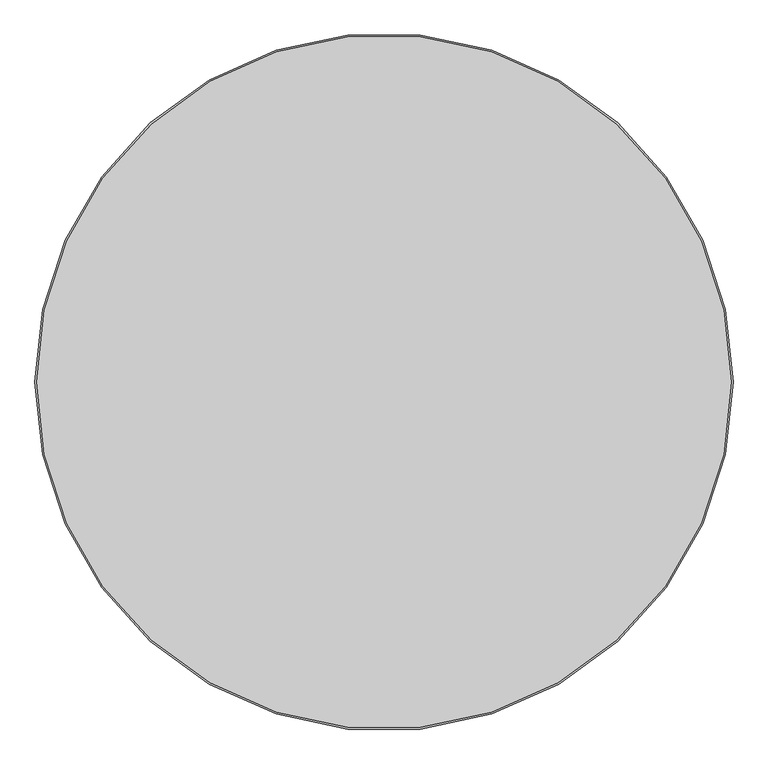
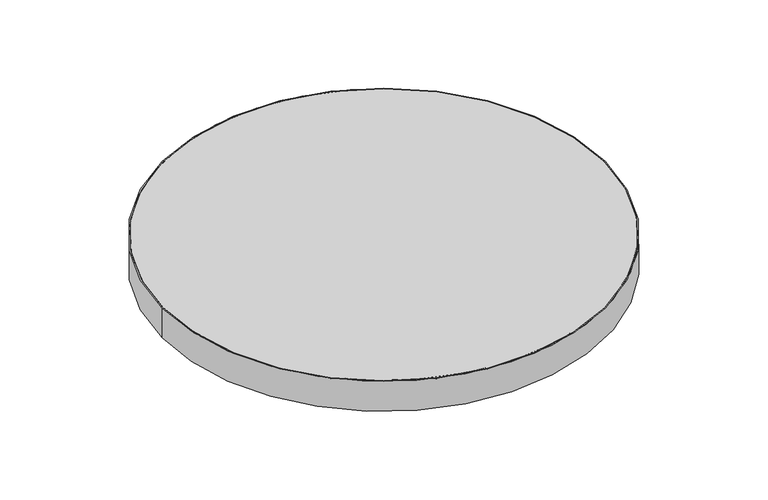
"""IFC4 building model written with IfcOpenShell, lengths in millimetres: proxy geometry."""

from ifc_helpers import new_model, si_unit, point, frame, origin, origin_with_axes, origin_2d, place, context, project, spatial, polyline, circle_curve, trimmed, segment, composite_curve, outline, extrude, source, transform, mapped, element, save
from ifc_brep_helpers import plane_surface, cylinder_surface, revolved_surface, advanced_brep


def generic_models_527691a3(model_context):
    return source(origin(), model_context, "Body", "SolidModel", [
        extrude(outline(composite_curve([segment(trimmed(circle_curve(origin_2d(), 836.0), [point((-836.0, 0.0))], [point((836.0, 0.0))], False, "CARTESIAN"), True, "CONTINUOUS"), segment(trimmed(circle_curve(origin_2d(), 836.0), [point((836.0, 0.0))], [point((-836.0, 0.0))], False, "CARTESIAN"), True, "CONTINUOUS")], self_intersect=False)), frame((0.0, 0.0, 116.0), z_axis=(0.0, 0.0, 1.0), x_axis=(1.0, 0.0, 0.0)), (0.0, 0.0, 1.0), 4.0),
        advanced_brep(
        [(-840.0, 0.0, 120.0), (840.0, 0.0, 120.0), (836.0, 0.0, 120.0), (-836.0, 0.0, 120.0), (-840.0, 0.0, 0.0), (840.0, 0.0, 0.0), (-836.0, 0.0, 116.0), (836.0, 0.0, 116.0)],
        [
            (0, 1, circle_curve(frame((0.0, 0.0, 120.0), z_axis=(0.0, 0.0, 1.0), x_axis=(1.0, 0.0, 0.0)), 840.0)),
            (1, 0, circle_curve(frame((0.0, 0.0, 120.0), z_axis=(0.0, 0.0, 1.0), x_axis=(1.0, 0.0, 0.0)), 840.0)),
            (2, 3, circle_curve(frame((0.0, 0.0, 120.0), z_axis=(0.0, 0.0, -1.0), x_axis=(1.0, 0.0, 0.0)), 836.0)),
            (3, 2, circle_curve(frame((0.0, 0.0, 120.0), z_axis=(0.0, 0.0, -1.0), x_axis=(1.0, 0.0, 0.0)), 836.0)),
            (4, 5, circle_curve(frame((0.0, 0.0, 0.0), z_axis=(0.0, 0.0, -1.0), x_axis=(1.0, 0.0, 0.0)), 840.0)),
            (5, 4, circle_curve(frame((0.0, 0.0, 0.0), z_axis=(0.0, 0.0, -1.0), x_axis=(1.0, 0.0, 0.0)), 840.0)),
            (0, 4),
            (5, 1),
            (6, 7, circle_curve(frame((0.0, 0.0, 116.0), z_axis=(0.0, 0.0, 1.0), x_axis=(1.0, 0.0, 0.0)), 836.0)),
            (7, 6, circle_curve(frame((0.0, 0.0, 116.0), z_axis=(0.0, 0.0, 1.0), x_axis=(1.0, 0.0, 0.0)), 836.0)),
            (6, 3),
            (2, 7),
        ],
        [
            plane_surface(frame((840.0, 0.0, 120.0), z_axis=(0.0, 0.0, 1.0), x_axis=(0.0, 1.0, 0.0))),
            plane_surface(frame((840.0, 0.0, 0.0), z_axis=(0.0, 0.0, -1.0), x_axis=(0.0, -1.0, 0.0))),
            cylinder_surface(origin_with_axes(), 840.0),
            plane_surface(frame((836.0, 0.0, 116.0), z_axis=(0.0, 0.0, 1.0), x_axis=(0.0, -1.0, 0.0))),
            revolved_surface(polyline([(836.0, 0.0, 120.0), (836.0, 0.0, 116.0)]), (0.0, 0.0, 116.0), (0.0, 0.0, 1.0)),
        ],
        [
            (0, [[1, 2], [3, 4]]),
            (1, [[5, 6]]),
            (2, [[-1, 7, -6, 8]]),
            (2, [[-2, -8, -5, -7]]),
            (3, [[9, 10]]),
            (4, [[-9, 11, -3, 12]]),
            (4, [[-10, -12, -4, -11]]),
        ],
    ),
    ])


if __name__ == "__main__":
    model = new_model("IFC4")
    model_context = context("Model", 3, world=origin())
    ifc_project = project(units=[si_unit("LENGTHUNIT", "METRE", prefix="MILLI")], contexts=[model_context])
    site = spatial("IfcSite", under=ifc_project)
    building = spatial("IfcBuilding", under=site)
    placement = place(None, origin())
    generic_models_shape = generic_models_527691a3(model_context)
    element("IfcBuildingElementProxy", 1, Name="Generic Models", at=placement, inside=building, context=model_context, shape_type="MappedRepresentation", body=[
        mapped(generic_models_shape, transform((0.0, 0.0, 0.0), x_axis=(1.0, 0.0, 0.0), y_axis=(0.0, 1.0, 0.0), z_axis=(0.0, 0.0, 1.0))),
    ])
    save(model, "model.ifc")
